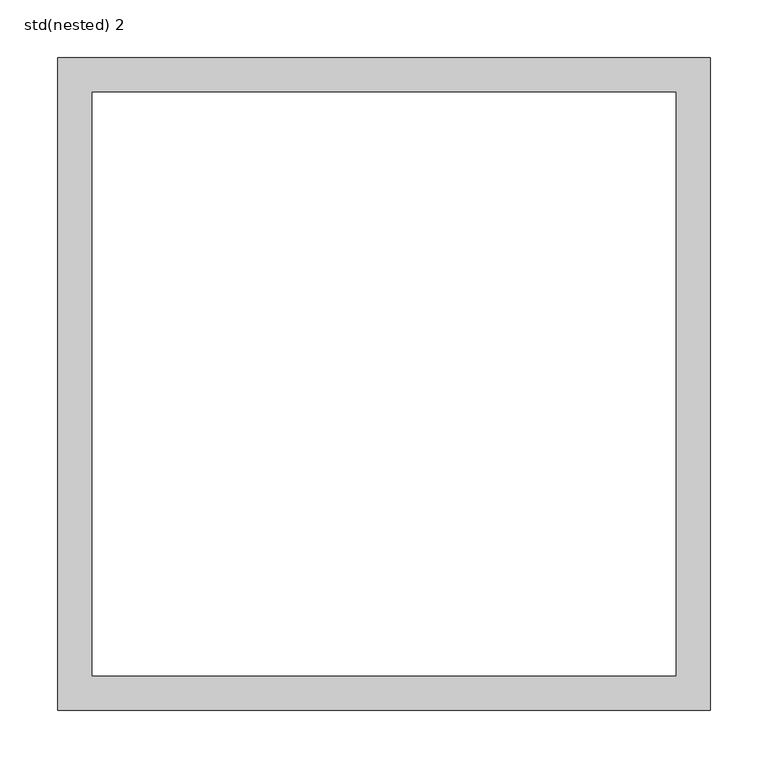
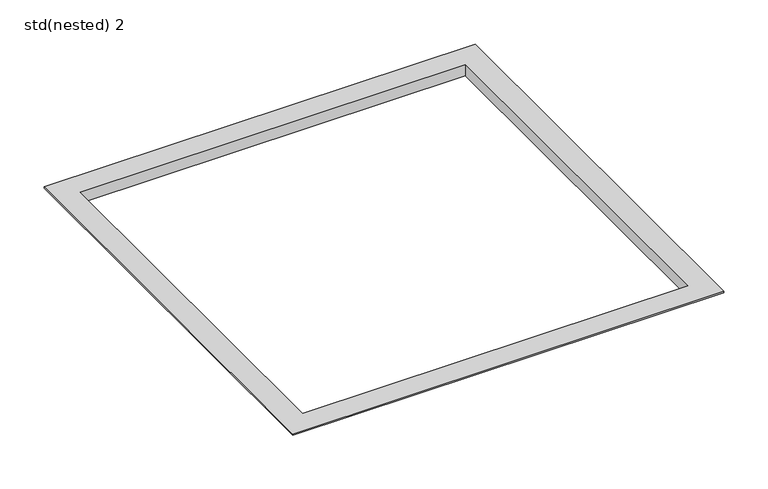
"""IFC4 building model written with IfcOpenShell, lengths in millimetres: furniture geometry, std(nested) 2."""

from ifc_helpers import new_model, si_unit, origin, place, context, project, spatial, faceted_brep, source, transform, mapped, element, save


def std_nested_2_dbb9a782(model_context):
    return source(origin(), model_context, "Body", "Brep", [
        faceted_brep([(254.5, 254.5, -15.0), (254.5, 254.5, -2.0), (254.5, -254.5, -2.0), (254.5, -254.5, -15.0), (252.5, 252.5, 0.0), (252.5, 252.5, -15.0), (252.5, -252.5, -15.0), (252.5, -252.5, 0.0), (282.5, 282.5, -2.0), (282.5, 282.5, 0.0), (282.5, -282.5, 0.0), (282.5, -282.5, -2.0), (-254.5, -254.5, -2.0), (-254.5, -254.5, -15.0), (-252.5, -252.5, -15.0), (-252.5, -252.5, 0.0), (-282.5, -282.5, 0.0), (-282.5, -282.5, -2.0), (-254.5, 254.5, -2.0), (-254.5, 254.5, -15.0), (-252.5, 252.5, -15.0), (-252.5, 252.5, 0.0), (-282.5, 282.5, 0.0), (-282.5, 282.5, -2.0)], [[[0, 1, 2, 3]], [[4, 5, 6, 7]], [[8, 9, 10, 11]], [[3, 2, 12, 13]], [[7, 6, 14, 15]], [[11, 10, 16, 17]], [[13, 12, 18, 19]], [[15, 14, 20, 21]], [[17, 16, 22, 23]], [[11, 17, 23, 8], [1, 18, 12, 2]], [[19, 18, 1, 0]], [[3, 13, 19, 0], [5, 20, 14, 6]], [[21, 20, 5, 4]], [[9, 22, 16, 10], [7, 15, 21, 4]], [[23, 22, 9, 8]]]),
    ])


if __name__ == "__main__":
    model = new_model("IFC4")
    model_context = context("Model", 3, world=origin())
    ifc_project = project(units=[si_unit("LENGTHUNIT", "METRE", prefix="MILLI")], contexts=[model_context])
    site = spatial("IfcSite", under=ifc_project)
    building = spatial("IfcBuilding", under=site)
    placement = place(None, origin())
    std_nested_2_shape = std_nested_2_dbb9a782(model_context)
    element("IfcFurniture", 1, ObjectType="std(nested) 2", at=placement, inside=building, context=model_context, shape_type="MappedRepresentation", body=[
        mapped(std_nested_2_shape, transform((0.0, 0.0, 0.0), x_axis=(1.0, 0.0, 0.0), y_axis=(0.0, 1.0, 0.0), z_axis=(0.0, 0.0, 1.0))),
    ])
    save(model, "model.ifc")
